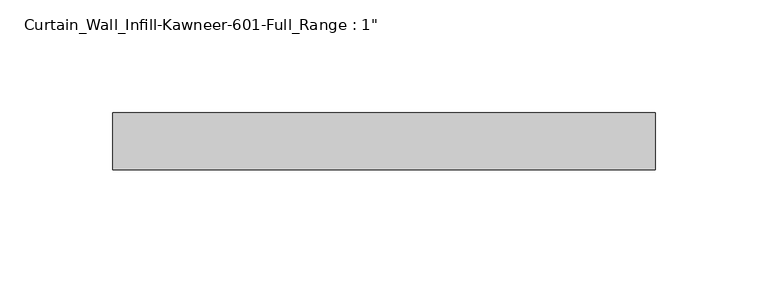
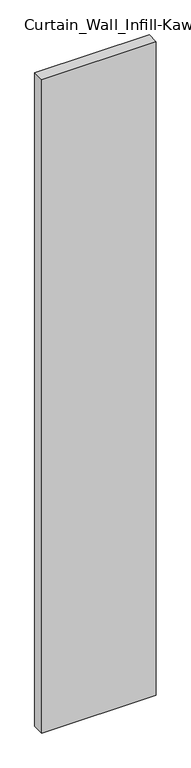
"""IFC4 building model written with IfcOpenShell, lengths in millimetres: plate geometry."""

from ifc_helpers import new_model, si_unit, frame, origin, place, context, project, spatial, polyline, outline, extrude, source, transform, mapped, element, save


def plate_78963094(model_context):
    return source(origin(), model_context, "Body", "SweptSolid", [
        extrude(outline(polyline([(-120.65, 0.0), (-120.65, 25.4), (120.65, 25.4), (120.65, 0.0), (-120.65, 0.0)])), frame((0.0, 0.0, -9.525), z_axis=(0.0, 0.0, 1.0), x_axis=(1.0, 0.0, 0.0)), (0.0, 0.0, 1.0), 1454.15),
    ])


if __name__ == "__main__":
    model = new_model("IFC4")
    model_context = context("Model", 3, world=origin())
    ifc_project = project(units=[si_unit("LENGTHUNIT", "METRE", prefix="MILLI")], contexts=[model_context])
    site = spatial("IfcSite", under=ifc_project)
    building = spatial("IfcBuilding", under=site)
    placement = place(None, origin())
    plate_shape = plate_78963094(model_context)
    element("IfcPlate", 1, ObjectType="Curtain_Wall_Infill-Kawneer-601-Full_Range : 1\"", at=placement, inside=building, context=model_context, shape_type="MappedRepresentation", body=[
        mapped(plate_shape, transform((0.0, 0.0, 0.0), x_axis=(1.0, 0.0, 0.0), y_axis=(0.0, 1.0, 0.0), z_axis=(0.0, 0.0, 1.0))),
    ])
    save(model, "model.ifc")
